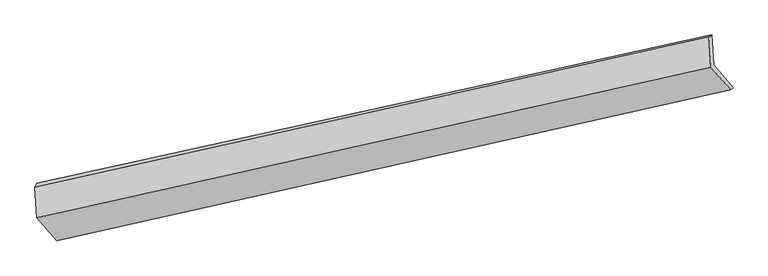
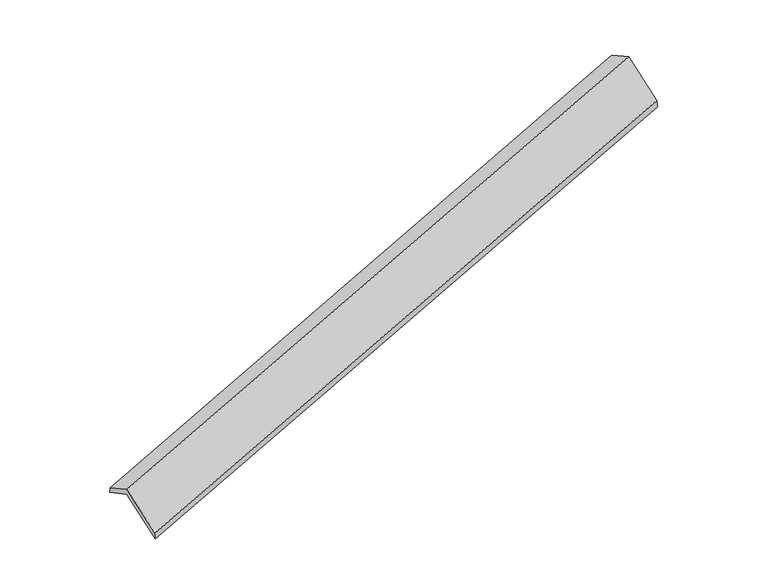
"""IFC4 building model written with IfcOpenShell, lengths in millimetres: proxy geometry."""

from ifc_helpers import new_model, si_unit, frame, origin, place, context, project, spatial, source, transform, mapped, element, save
from ifc_brep_helpers import plane_surface, spline_surface, advanced_brep


def generic_models_d79dd64b(model_context):
    return source(origin(), model_context, "Body", "AdvancedBrep", [
        advanced_brep(
        [(-7530.1596751, -2544.8531644, 741.031665), (-7557.9018855, -2116.8105665, 522.0107201), (1652.4034933, -91.4088857, 3346.7099989), (1678.9936726, -501.6764601, 3556.6358153), (-7583.6233134, -2171.4909927, 644.7272046), (1614.9917609, -116.064058, 3485.6073642), (-7556.790631, -2585.5002192, 856.5675505), (1641.8244433, -530.0732844, 3697.4477101), (-7288.1875965, -2897.7381873, 212.3241746), (1910.4274778, -842.3112526, 3053.2043341), (-7258.1683703, -2861.029832, 88.6615356), (1943.9594617, -809.6863074, 2921.1163587)],
        [
            (0, 1),
            (1, 2),
            (2, 3),
            (3, 0),
            (1, 4),
            (4, 5),
            (5, 2),
            (4, 6),
            (6, 7),
            (7, 5),
            (6, 8),
            (8, 9),
            (9, 7),
            (8, 10),
            (10, 11),
            (11, 9),
            (10, 0),
            (3, 11),
        ],
        [
            plane_surface(frame((-7544.0307803, -2330.8318655, 631.5211926), z_axis=(0.3485785198524043, -0.4089401404401368, -0.8433628975917238), x_axis=(-0.057601561797467615, 0.888751175746355, -0.4547564267692808))),
            spline_surface(1, 1, [[(-7557.9018855, -2116.8105665, 522.0107201), (1652.4034933, -91.4088857, 3346.7099989)], [(-7583.6233134, -2171.4909927, 644.7272046), (1614.9917609, -116.064058, 3485.6073642)]], [2, 2], [2, 2], [0.0, 1.0], [0.0, 1.0]),
            plane_surface(frame((-7570.2069722, -2378.4956059, 750.6473776), z_axis=(-0.3514278072742634, 0.4083071244269576, 0.8424866695779777), x_axis=(0.05760156179739224, -0.8887511757463251, 0.4547564267693488))),
            plane_surface(frame((-7422.4891137, -2741.6192032, 534.4458625), z_axis=(0.05807619458367139, -0.8886452757603606, 0.45490298909929394), x_axis=(0.3512757790380109, -0.40834101413180834, -0.8425336451673873))),
            spline_surface(1, 1, [[(-7288.1875965, -2897.7381873, 212.3241746), (1910.4274778, -842.3112526, 3053.2043341)], [(-7258.1683703, -2861.029832, 88.6615356), (1943.9594617, -809.6863074, 2921.1163587)]], [2, 2], [2, 2], [0.0, 1.0], [0.0, 1.0]),
            plane_surface(frame((-7394.1640227, -2702.9414982, 414.8466003), z_axis=(-0.058076194583695645, 0.8886452757603898, -0.454902989099234), x_axis=(-0.35127577903802126, 0.40834101413174206, 0.8425336451674151))),
            plane_surface(frame((1740.4333849, -481.8700414, 3343.4535969), z_axis=(0.9344984682383027, 0.20827617191440617, 0.2886756814713471), x_axis=(0.23929442469471202, 0.23282152075736864, -0.9426199222286006))),
            plane_surface(frame((-7462.471912, -2529.5704937, 510.8871417), z_axis=(-0.9344984682383102, -0.20827617191433193, -0.2886756814713766), x_axis=(0.35127577903801305, -0.40834101413173296, -0.8425336451674229))),
        ],
        [
            (0, [[1, 2, 3, 4]]),
            (1, [[5, 6, 7, -2]]),
            (2, [[8, 9, 10, -6]]),
            (3, [[11, 12, 13, -9]]),
            (4, [[14, 15, 16, -12]]),
            (5, [[17, -4, 18, -15]]),
            (6, [[-16, -18, -3, -7, -10, -13]]),
            (7, [[-17, -14, -11, -8, -5, -1]]),
        ],
    ),
    ])


if __name__ == "__main__":
    model = new_model("IFC4")
    model_context = context("Model", 3, world=origin())
    ifc_project = project(units=[si_unit("LENGTHUNIT", "METRE", prefix="MILLI")], contexts=[model_context])
    site = spatial("IfcSite", under=ifc_project)
    building = spatial("IfcBuilding", under=site)
    placement = place(None, origin())
    generic_models_shape = generic_models_d79dd64b(model_context)
    element("IfcBuildingElementProxy", 1, Name="Generic Models", at=placement, inside=building, context=model_context, shape_type="MappedRepresentation", body=[
        mapped(generic_models_shape, transform((0.0, 0.0, 0.0), x_axis=(1.0, 0.0, 0.0), y_axis=(0.0, 1.0, 0.0), z_axis=(0.0, 0.0, 1.0))),
    ])
    save(model, "model.ifc")
